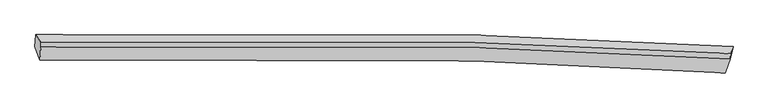
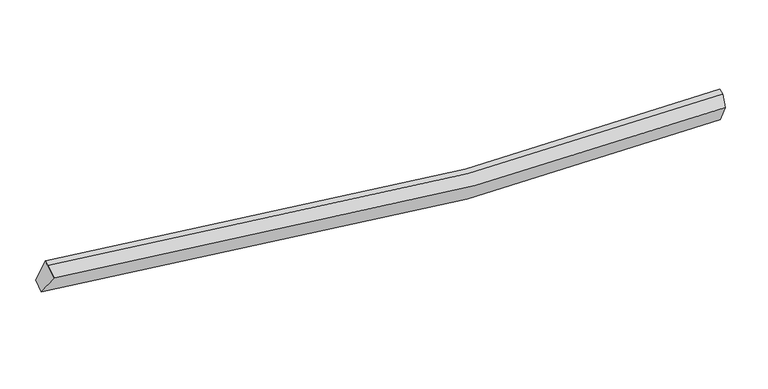
"""IFC4 building model written with IfcOpenShell, lengths in millimetres: proxy geometry."""

from ifc_helpers import new_model, si_unit, frame, origin, place, context, project, spatial, source, transform, mapped, element, save
from ifc_brep_helpers import plane_surface, spline_curve, spline_surface, advanced_brep


def generic_models_7ae49623(model_context):
    return source(origin(), model_context, "Body", "AdvancedBrep", [
        advanced_brep(
        [(-10100.3996803, -1942.0394721, 3543.5743195), (-10075.807987, -1615.0702179, 3701.854485), (9295.7899395, -1938.1822588, 2390.5816052), (9138.6513923, -2304.4371653, 2266.8539357), (-9959.7376683, -2319.7884942, 4161.5439636), (9076.4418266, -2680.6501102, 2875.1503228), (-9936.7462574, -1963.7651787, 4315.9584336), (9222.1852625, -2294.184773, 3004.1527595), (-9931.3806089, -1825.4229522, 4359.0587604), (9228.1059781, -2141.5312816, 3051.7117409)],
        [
            (0, 1),
            (1, 2, spline_curve(3, [(-10075.807987, -1615.0702179, 3701.854485), (-6054.01128222, -1508.211058585, 2881.01586605), (-1994.879687756, -1511.90352316, 2404.35939534), (4486.994866698, -1692.672936697, 2194.744122824), (6885.062582706, -1796.684486059, 2234.309633434), (9295.7899395, -1938.1822588, 2390.5816052)], [4, 2, 4], [0.0, 40.22652789656196, 63.65078508177649])),
            (2, 3),
            (3, 0, spline_curve(3, [(9138.6513923, -2304.4371653, 2266.8539357), (6793.568534576, -2149.764668183, 2097.164557227), (4442.971084348, -2035.653328265, 2047.559559426), (-1959.297300294, -1835.795258573, 2239.073340056), (-6021.716875136, -1829.107367504, 2714.251798433), (-10100.3996803, -1942.0394721, 3543.5743195)], [4, 2, 4], [0.0, 23.42425718521453, 63.65078508177649])),
            (4, 0),
            (3, 5),
            (5, 4, spline_curve(3, [(9076.4418266, -2680.6501102, 2875.1503228), (6755.488466035, -2527.951379434, 2715.061407359), (4429.299061673, -2415.156780833, 2671.960478935), (-1905.888389008, -2217.091362215, 2872.733942787), (-5925.092149633, -2209.59875456, 3344.632751264), (-9959.7376683, -2319.7884942, 4161.5439636)], [4, 2, 4], [0.0, 23.222223505791497, 63.10179852452707])),
            (6, 4),
            (5, 7),
            (7, 6, spline_curve(3, [(9222.1852625, -2294.184773, 3004.1527595), (6841.170023555, -2150.243431172, 2850.478073894), (4471.480682498, -2044.357681682, 2812.578069745), (-1936.905435589, -1860.042643449, 3024.187097192), (-5953.52660162, -1855.788529153, 3499.355660284), (-9936.7462574, -1963.7651787, 4315.9584336)], [4, 2, 4], [0.0, 23.173265234748172, 62.96876410795991])),
            (8, 6),
            (7, 9),
            (9, 8, spline_curve(3, [(9228.1059781, -2141.5312816, 3051.7117409), (6846.935213838, -2001.59984113, 2896.787776418), (4477.122524661, -1898.894371744, 2857.896960068), (-1931.51133357, -1720.966791772, 3067.515983973), (-5948.194173529, -1718.302816705, 3542.189140899), (-9931.3806089, -1825.4229522, 4359.0587604)], [4, 2, 4], [0.0, 23.247339740353738, 63.17004692342161])),
            (1, 8),
            (9, 2),
            (7, 2),
            (3, 7),
        ],
        [
            spline_surface(3, 3, [[(-10100.3996803, -1942.0394721, 3543.5743195), (-6021.716874759, -1829.107367296, 2714.251798897), (-1959.297300564, -1835.795258667, 2239.073339824), (4442.971084505, -2035.653328211, 2047.559559562), (6793.568534453, -2149.764667911, 2097.164557419), (9138.6513923, -2304.4371653, 2266.8539357)], [(-10092.202449194, -1833.04972072, 3596.334374663), (-6032.481677103, -1722.141930999, 2769.839821198), (-1971.1580965, -1727.831346639, 2294.168691613), (4457.645678683, -1921.326531143, 2096.621080663), (6824.066550423, -2032.071274091, 2142.879582818), (9191.030908008, -2182.352196474, 2308.096492216)], [(-10084.005218106, -1724.05996928, 3649.094429837), (-6043.246479464, -1615.176494641, 2825.427843512), (-1983.018892424, -1619.867434628, 2349.26404343), (4472.320272873, -1806.999734092, 2145.682601793), (6854.56456647, -1914.377880249, 2188.59460817), (9243.410423792, -2060.267227626, 2349.339048684)], [(-10075.807987, -1615.0702179, 3701.854485), (-6054.011281808, -1508.211058344, 2881.015865814), (-1994.87968836, -1511.9035226, 2404.359395219), (4486.99486705, -1692.672937023, 2194.744122895), (6885.06258244, -1796.684486429, 2234.309633569), (9295.7899395, -1938.1822588, 2390.5816052)]], [4, 4], [4, 2, 4], [0.0, 1.202007716945032], [0.0, 40.22652789656196, 63.65078508177649]),
            spline_surface(3, 3, [[(-9959.7376683, -2319.7884942, 4161.5439636), (-5925.092149663, -2209.598754454, 3344.632751451), (-1905.888389216, -2217.091361734, 2872.733942591), (4429.299061794, -2415.156781112, 2671.960479049), (6755.488466325, -2527.951379129, 2715.061407608), (9076.4418266, -2680.6501102, 2875.1503228)], [(-10006.625005645, -2193.872153493, 3955.554082254), (-5957.300391373, -2082.76829206, 3134.505767287), (-1923.691359668, -2089.992660709, 2661.513741695), (4433.856402695, -2288.655630143, 2463.826839247), (6768.181822389, -2401.889142029, 2509.095790856), (9097.178348522, -2555.245795206, 2672.384860411)], [(-10053.512342955, -2067.955812807, 3749.564200846), (-5989.508633049, -1955.937829689, 2924.378783061), (-1941.494330112, -1962.893959692, 2450.293540719), (4438.413743604, -2162.154479181, 2255.693199364), (6780.875178388, -2275.826905011, 2303.130174171), (9117.914870378, -2429.841480294, 2469.619398089)], [(-10100.3996803, -1942.0394721, 3543.5743195), (-6021.716874759, -1829.107367296, 2714.251798897), (-1959.297300564, -1835.795258667, 2239.073339824), (4442.971084505, -2035.653328211, 2047.559559562), (6793.568534453, -2149.764667911, 2097.164557419), (9138.6513923, -2304.4371653, 2266.8539357)]], [4, 4], [4, 2, 4], [0.0, 2.4188143935821884], [0.0, 39.87957501873557, 63.10179852452707]),
            spline_surface(3, 3, [[(-9936.7462574, -1963.7651787, 4315.9584336), (-5953.526602123, -1855.788529313, 3499.355660008), (-1936.905436053, -1860.042644086, 3024.187097459), (4471.480682768, -2044.357681311, 2812.57806959), (6841.170023331, -2150.243431346, 2850.478074092), (9222.1852625, -2294.184773, 3004.1527595)], [(-9944.410061028, -2082.43961718, 4264.486943591), (-5944.048451298, -1973.725271007, 3447.781357147), (-1926.566420424, -1979.058883312, 2973.702712482), (4457.42014246, -2167.957381255, 2765.705539389), (6812.609504329, -2276.146080627, 2805.339185265), (9173.6041172, -2423.006552086, 2961.151947268)], [(-9952.073864672, -2201.11405572, 4213.015453609), (-5934.570300488, -2091.66201276, 3396.207054313), (-1916.227404845, -2098.075122508, 2923.218327567), (4443.359602102, -2291.557081168, 2718.833009249), (6784.048985327, -2402.048729849, 2760.200296435), (9125.0229719, -2551.828331114, 2918.151135032)], [(-9959.7376683, -2319.7884942, 4161.5439636), (-5925.092149663, -2209.598754454, 3344.632751451), (-1905.888389216, -2217.091361734, 2872.733942591), (4429.299061794, -2415.156781112, 2671.960479049), (6755.488466325, -2527.951379129, 2715.061407608), (9076.4418266, -2680.6501102, 2875.1503228)]], [4, 4], [4, 2, 4], [0.0, 1.2808355736537624], [0.0, 39.79549887321174, 62.96876410795991]),
            spline_surface(3, 3, [[(-9931.3806089, -1825.4229522, 4359.0587604), (-5948.194173806, -1718.302817013, 3542.189141009), (-1931.511333678, -1720.966791156, 3067.515984548), (4477.122524724, -1898.894372103, 2857.896959733), (6846.935213604, -2001.599841078, 2896.787776413), (9228.1059781, -2141.5312816, 3051.7117409)], [(-9933.169158404, -1871.537027711, 4344.691984786), (-5949.971649916, -1764.131387791, 3527.911313995), (-1933.309367828, -1767.325408779, 3053.073022182), (4475.241910714, -1947.382141818, 2842.790663016), (6845.013483513, -2051.147704483, 2881.351208992), (9226.132406233, -2192.415778716, 3035.858747119)], [(-9934.957707896, -1917.651103189, 4330.325209214), (-5951.749126013, -1809.959958535, 3513.633487022), (-1935.107401903, -1813.684026463, 3038.630059825), (4473.361296778, -1995.869911595, 2827.684366307), (6843.091753422, -2100.695567941, 2865.914641513), (9224.158834367, -2243.300275884, 3020.005753281)], [(-9936.7462574, -1963.7651787, 4315.9584336), (-5953.526602123, -1855.788529313, 3499.355660008), (-1936.905436053, -1860.042644086, 3024.187097459), (4471.480682768, -2044.357681311, 2812.57806959), (6841.170023331, -2150.243431346, 2850.478074092), (9222.1852625, -2294.184773, 3004.1527595)]], [4, 4], [4, 2, 4], [0.0, 0.48452962739205363], [0.0, 39.92270718306787, 63.17004692342161]),
            spline_surface(3, 3, [[(-10075.807987, -1615.0702179, 3701.854485), (-6054.011281808, -1508.211058344, 2881.015865814), (-1994.87968836, -1511.9035226, 2404.359395219), (4486.99486705, -1692.672937023, 2194.744122895), (6885.06258244, -1796.684486429, 2234.309633569), (9295.7899395, -1938.1822588, 2390.5816052)], [(-10027.665527628, -1685.187795996, 3920.922576806), (-6018.738912469, -1578.241644563, 3101.406957552), (-1973.756903451, -1581.591278804, 2625.411591668), (4483.70408629, -1761.413415402, 2415.795068513), (6872.353459499, -1864.989604663, 2455.13568117), (9273.228619037, -2005.965266418, 2610.958317086)], [(-9979.523068272, -1755.305374104, 4139.990668594), (-5983.466543146, -1648.272230794, 3321.798049271), (-1952.634118587, -1651.279034952, 2846.463788099), (4480.413305484, -1830.153893724, 2636.846014115), (6859.644336545, -1933.294722844, 2675.961728812), (9250.667298563, -2073.748273982, 2831.335029014)], [(-9931.3806089, -1825.4229522, 4359.0587604), (-5948.194173806, -1718.302817013, 3542.189141009), (-1931.511333678, -1720.966791156, 3067.515984548), (4477.122524724, -1898.894372103, 2857.896959733), (6846.935213604, -2001.599841078, 2896.787776413), (9228.1059781, -2141.5312816, 3051.7117409)]], [4, 4], [4, 2, 4], [0.0, 2.2845909827650184], [0.0, 40.142568314854316, 63.51793510514985]),
            plane_surface(frame((-10000.8144404, -1933.217263, 4016.3979924), z_axis=(-0.9780912139731938, -0.026398044106207864, 0.20649629637310946), x_axis=(-0.06754169258174597, -0.8980291256026355, -0.4347203806270866))),
            plane_surface(frame((9248.6937267, -2124.6327711, 2815.4820352), z_axis=(0.9945584157092728, -0.06414877486119537, 0.08208832088469785), x_axis=(0.10320638343100394, 0.4991765942898527, -0.8603320115701126))),
            plane_surface(frame((9145.7594938, -2426.4240162, 2715.3856727), z_axis=(0.9415604876926431, -0.32096158460882823, -0.1022130579788237), x_axis=(-0.3368152407090226, -0.8931271229497697, -0.29812654339657557))),
            plane_surface(frame((9218.8755314, -2178.9347323, 2553.8627668), z_axis=(0.926174860476421, -0.36362726352775965, -0.09987662910208603), x_axis=(-0.11256619662912702, -0.013815627159644826, -0.9935481769006667))),
        ],
        [
            (0, [[1, 2, 3, 4]]),
            (1, [[5, -4, 6, 7]]),
            (2, [[8, -7, 9, 10]]),
            (3, [[11, -10, 12, 13]]),
            (4, [[14, -13, 15, -2]]),
            (5, [[-1, -5, -8, -11, -14]]),
            (6, [[16, -15, -12]]),
            (7, [[-9, -6, 17]]),
            (8, [[-17, -3, -16]]),
        ],
    ),
    ])


if __name__ == "__main__":
    model = new_model("IFC4")
    model_context = context("Model", 3, world=origin())
    ifc_project = project(units=[si_unit("LENGTHUNIT", "METRE", prefix="MILLI")], contexts=[model_context])
    site = spatial("IfcSite", under=ifc_project)
    building = spatial("IfcBuilding", under=site)
    placement = place(None, origin())
    generic_models_shape = generic_models_7ae49623(model_context)
    element("IfcBuildingElementProxy", 1, Name="Generic Models", at=placement, inside=building, context=model_context, shape_type="MappedRepresentation", body=[
        mapped(generic_models_shape, transform((0.0, 0.0, 0.0), x_axis=(1.0, 0.0, 0.0), y_axis=(0.0, 1.0, 0.0), z_axis=(0.0, 0.0, 1.0))),
    ])
    save(model, "model.ifc")
